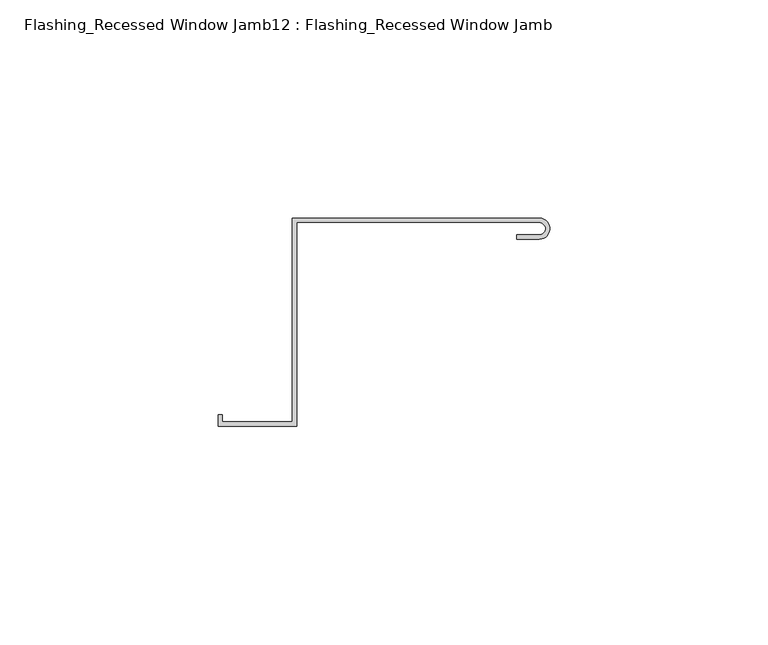
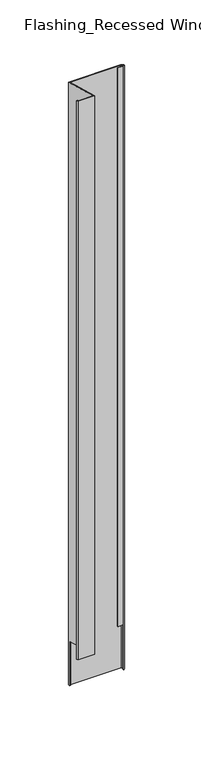
"""IFC4 building model written with IfcOpenShell, lengths in millimetres: proxy geometry, Flashing_Recessed Window Jamb12 : Flashing_Recessed Window Jamb."""

from ifc_helpers import new_model, si_unit, frame, origin, place, context, project, spatial, polyline, circle_curve, ellipse_curve, source, transform, mapped, element, save
from ifc_brep_helpers import plane_surface, cylinder_surface, revolved_surface, advanced_brep


def flashing_recessed_window_jamb12_flashing_recessed_window_64051fbe(model_context):
    return source(origin(), model_context, "Body", "AdvancedBrep", [
        advanced_brep(
        [(13483.1035388, 10657.7344915, -1036.7382524), (13427.4791786, 10657.7344915, -1036.7382524), (13427.4791786, 10656.8026399, -1036.7382524), (13426.4791786, 10656.8026399, -1036.7382524), (13426.4791786, 10658.7344915, -1036.7382524), (13483.1035388, 10658.7344915, -1036.7382524), (13483.6606696, 10653.9674945, -1036.7382524), (13483.6606696, 10655.0165848, -1036.7382524), (13426.4791786, 10658.7344915, -343.2151173), (13483.1035388, 10658.7344915, -343.2151173), (13426.4791786, 10656.8026399, -985.662203), (13426.4791786, 10612.0490096, -973.6705039), (13426.4791786, 10612.0490096, -330.7057801), (13410.4479286, 10612.0490096, -330.7057801), (13410.4479286, 10612.0490096, -973.6705039), (13410.4479286, 10613.5934881, -331.1196219), (13410.4479286, 10613.5934881, -974.0843457), (13409.4479286, 10613.5934881, -331.1196219), (13409.4479286, 10613.5934881, -974.0843457), (13409.4479286, 10611.0490096, -330.4378309), (13409.4479286, 10611.0490096, -973.4025548), (13427.4791786, 10611.0490096, -330.4378309), (13427.4791786, 10611.0490096, -973.4025548), (13427.4791786, 10657.7344915, -342.9471681), (13427.4791786, 10656.8026399, -985.662203), (13483.1035388, 10657.7344915, -342.9471681), (13483.1035388, 10653.9023812, -341.9203573), (13477.8896212, 10653.9023812, -341.9203573), (13477.8896212, 10653.9023812, -984.8850811), (13483.1035388, 10653.9023812, -984.8850811), (13477.8896212, 10654.9023812, -342.1883065), (13477.8896212, 10654.9023812, -985.1530303), (13483.1035388, 10654.9023812, -342.1883065), (13483.1035388, 10654.9023812, -985.1530303), (13483.6606696, 10655.0165848, -985.183631), (13483.6606696, 10653.9674945, -984.9025281)],
        [
            (0, 1),
            (1, 2),
            (2, 3),
            (3, 4),
            (4, 5),
            (5, 6, circle_curve(frame((13483.1035388, 10656.3184364, -1036.7382524), z_axis=(0.0, 0.0, -1.0), x_axis=(1.0, 0.0, 0.0)), 2.4160552)),
            (6, 7),
            (7, 0, circle_curve(frame((13483.1035388, 10656.3184364, -1036.7382524), z_axis=(0.0, 0.0, 1.0), x_axis=(1.0, 0.0, 0.0)), 1.4160552)),
            (4, 8),
            (8, 9),
            (9, 5),
            (3, 10),
            (10, 11),
            (11, 12),
            (12, 8),
            (13, 12),
            (11, 14),
            (14, 13),
            (15, 13),
            (14, 16),
            (16, 15),
            (17, 15),
            (16, 18),
            (18, 17),
            (19, 17),
            (18, 20),
            (20, 19),
            (21, 19),
            (20, 22),
            (22, 21),
            (1, 23),
            (23, 21),
            (22, 24),
            (24, 2),
            (0, 25),
            (25, 23),
            (26, 27),
            (27, 28),
            (28, 29),
            (29, 26),
            (27, 30),
            (30, 31),
            (31, 28),
            (30, 32),
            (32, 33),
            (33, 31),
            (7, 34),
            (34, 33, ellipse_curve(frame((13483.1035388, 10656.3184364, -985.5324611), z_axis=(0.0, -0.25881904510252046, -0.9659258262890684), x_axis=(0.0, 0.9659258262890684, -0.25881904510251985)), 1.4660082, 1.4160552)),
            (32, 25, ellipse_curve(frame((13483.1035388, 10656.3184364, -342.5677373), z_axis=(0.0, 0.2588190451025206, 0.9659258262890683), x_axis=(0.0, 0.9659258262890683, -0.25881904510252063)), 1.4660082, 1.4160552)),
            (9, 26, ellipse_curve(frame((13483.1035388, 10656.3184364, -342.5677373), z_axis=(0.0, -0.2588190451025206, -0.9659258262890683), x_axis=(0.0, -0.9659258262890683, 0.25881904510252063)), 2.5012844, 2.4160552)),
            (29, 35, ellipse_curve(frame((13483.1035388, 10656.3184364, -985.5324611), z_axis=(0.0, 0.25881904510252046, 0.9659258262890684), x_axis=(0.0, -0.9659258262890684, 0.25881904510251985)), 2.5012844, 2.4160552)),
            (35, 6),
            (35, 34),
            (10, 24),
        ],
        [
            plane_surface(frame((13411.4791786, 10612.0490096, -1036.7382524), z_axis=(0.0, 0.0, -1.0), x_axis=(1.0, 0.0, 0.0))),
            plane_surface(frame((13483.1035388, 10658.7344915, -277.6721404), z_axis=(0.0, 1.0, 0.0), x_axis=(0.0, 0.0, -1.0))),
            plane_surface(frame((13426.4791786, 10658.7344915, -277.6721404), z_axis=(-1.0, 0.0, 0.0), x_axis=(0.0, 0.0, -1.0))),
            plane_surface(frame((13426.4791786, 10612.0490096, -277.6721404), z_axis=(0.0, 1.0, 0.0), x_axis=(0.0, 0.0, -1.0))),
            plane_surface(frame((13410.4479286, 10612.0490096, -277.6721404), z_axis=(1.0, 0.0, 0.0), x_axis=(0.0, 0.0, -1.0))),
            plane_surface(frame((13410.4479286, 10613.5934881, -277.6721404), z_axis=(0.0, 1.0, 0.0), x_axis=(0.0, 0.0, -1.0))),
            plane_surface(frame((13409.4479286, 10613.5934881, -277.6721404), z_axis=(-1.0, 0.0, 0.0), x_axis=(0.0, 0.0, -1.0))),
            plane_surface(frame((13409.4479286, 10611.0490096, -277.6721404), z_axis=(0.0, -1.0, 0.0), x_axis=(0.0, 0.0, -1.0))),
            plane_surface(frame((13427.4791786, 10611.0490096, -277.6721404), z_axis=(1.0, 0.0, 0.0), x_axis=(0.0, 0.0, -1.0))),
            plane_surface(frame((13427.4791786, 10657.7344915, -277.6721404), z_axis=(0.0, -1.0, 0.0), x_axis=(0.0, 0.0, -1.0))),
            plane_surface(frame((13477.8896212, 10653.9023812, -277.6721404), z_axis=(0.0, -1.0, 0.0), x_axis=(0.0, 0.0, -1.0))),
            plane_surface(frame((13477.8896212, 10654.9023812, -277.6721404), z_axis=(-1.0, 0.0, 0.0), x_axis=(0.0, 0.0, -1.0))),
            plane_surface(frame((13483.1035388, 10654.9023812, -277.6721404), z_axis=(0.0, 1.0, 0.0), x_axis=(0.0, 0.0, -1.0))),
            revolved_surface(polyline([(13484.519594, 10656.3184364, -1036.7382524), (13484.519594, 10656.3184364, -342.1883064575635)]), (13483.1035388, 10656.3184364, -1036.7382524), (0.0, 0.0, -1.0)),
            cylinder_surface(frame((13483.1035388, 10656.3184364, -1036.7382524), z_axis=(0.0, 0.0, 1.0), x_axis=(1.0, 0.0, 0.0)), 2.4160552),
            plane_surface(frame((13316.4791786, 10682.2658889, -349.5203362), z_axis=(0.0, 0.2588190451025206, 0.9659258262890683), x_axis=(1.0, 0.0, 0.0))),
            plane_surface(frame((13483.6606696, 10985.9989484, -1301.2959937), z_axis=(-1.0, 0.0, 0.0), x_axis=(0.0, 0.9659258262890683, -0.2588190451025206))),
            plane_surface(frame((13316.4791786, 10056.8026399, -824.8926876), z_axis=(0.0, -0.25881904510252046, -0.9659258262890684), x_axis=(1.0, 0.0, 0.0))),
            plane_surface(frame((13316.4791786, 10656.8026399, -985.662203), z_axis=(0.0, -1.0, 0.0), x_axis=(1.0, 0.0, 0.0))),
        ],
        [
            (0, [[1, 2, 3, 4, 5, 6, 7, 8]]),
            (1, [[-5, 9, 10, 11]]),
            (2, [[-9, -4, 12, 13, 14, 15]]),
            (3, [[16, -14, 17, 18]]),
            (4, [[19, -18, 20, 21]]),
            (5, [[22, -21, 23, 24]]),
            (6, [[25, -24, 26, 27]]),
            (7, [[28, -27, 29, 30]]),
            (8, [[31, 32, -30, 33, 34, -2]]),
            (9, [[-1, 35, 36, -31]]),
            (10, [[37, 38, 39, 40]]),
            (11, [[41, 42, 43, -38]]),
            (12, [[44, 45, 46, -42]]),
            (13, [[-35, -8, 47, 48, -45, 49]]),
            (14, [[-11, 50, -40, 51, 52, -6]]),
            (15, [[-10, -15, -16, -19, -22, -25, -28, -32, -36, -49, -44, -41, -37, -50]]),
            (16, [[53, -47, -7, -52]]),
            (17, [[-53, -51, -39, -43, -46, -48]]),
            (17, [[54, -33, -29, -26, -23, -20, -17, -13]]),
            (18, [[-54, -12, -3, -34]]),
        ],
    ),
    ])


if __name__ == "__main__":
    model = new_model("IFC4")
    model_context = context("Model", 3, world=origin())
    ifc_project = project(units=[si_unit("LENGTHUNIT", "METRE", prefix="MILLI")], contexts=[model_context])
    site = spatial("IfcSite", under=ifc_project)
    building = spatial("IfcBuilding", under=site)
    placement = place(None, origin())
    flashing_recessed_window_jamb12_flashing_recessed_window_shape = flashing_recessed_window_jamb12_flashing_recessed_window_64051fbe(model_context)
    element("IfcBuildingElementProxy", 1, Name="Flashing_Recessed Window Jamb12 : Flashing_Recessed Window Jamb", ObjectType="Flashing_Recessed Window Jamb12 : Flashing_Recessed Window Jamb", at=placement, inside=building, context=model_context, shape_type="MappedRepresentation", body=[
        mapped(flashing_recessed_window_jamb12_flashing_recessed_window_shape, transform((0.0, 0.0, 0.0), x_axis=(1.0, 0.0, 0.0), y_axis=(0.0, 1.0, 0.0), z_axis=(0.0, 0.0, 1.0))),
    ])
    save(model, "model.ifc")
